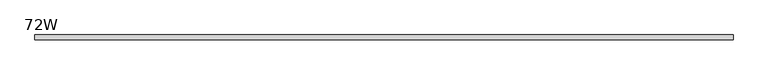
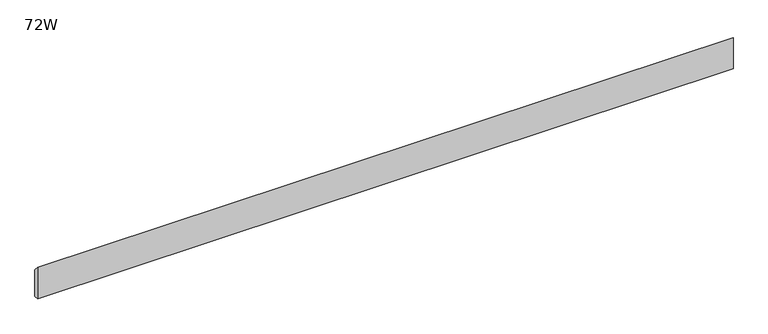
"""IFC4 building model written with IfcOpenShell, lengths in millimetres: furniture geometry, 72W."""

from ifc_helpers import new_model, si_unit, frame, origin, place, context, project, spatial, polyline, outline, extrude, source, transform, mapped, element, save


def furniture_72w_f35a03b1(model_context):
    return source(origin(), model_context, "Body", "SweptSolid", [
        extrude(outline(polyline([(-11.938, 704.85), (-11.938, 787.4), (0.0, 774.7), (0.0, 704.85), (-11.938, 704.85)])), frame((48.006, 0.0, 0.0), z_axis=(1.0, 0.0, 0.0), x_axis=(0.0, 1.0, 0.0)), (0.0, 0.0, 1.0), 1732.788),
    ])


if __name__ == "__main__":
    model = new_model("IFC4")
    model_context = context("Model", 3, world=origin())
    ifc_project = project(units=[si_unit("LENGTHUNIT", "METRE", prefix="MILLI")], contexts=[model_context])
    site = spatial("IfcSite", under=ifc_project)
    building = spatial("IfcBuilding", under=site)
    placement = place(None, origin())
    furniture_72w_shape = furniture_72w_f35a03b1(model_context)
    element("IfcFurniture", 1, ObjectType="72W", at=placement, inside=building, context=model_context, shape_type="MappedRepresentation", body=[
        mapped(furniture_72w_shape, transform((0.0, 0.0, 0.0), x_axis=(1.0, 0.0, 0.0), y_axis=(0.0, 1.0, 0.0), z_axis=(0.0, 0.0, 1.0))),
    ])
    save(model, "model.ifc")
